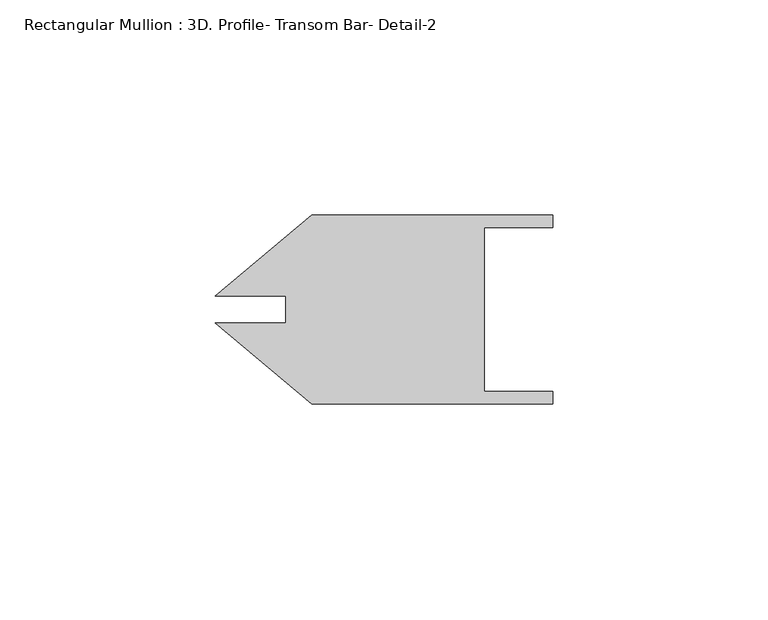
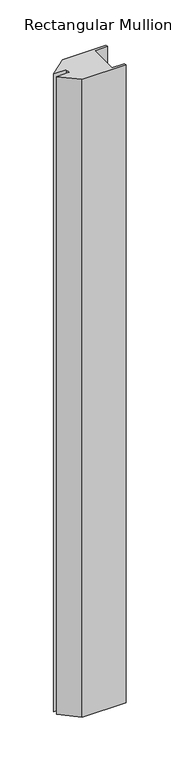
"""IFC4 building model written with IfcOpenShell, lengths in millimetres: member geometry, Rectangular Mullion : 3D. Profile- Transom Bar- Detail-2."""

from ifc_helpers import new_model, si_unit, frame, origin, place, context, project, spatial, polyline, outline, extrude, source, transform, mapped, element, save


def rectangular_mullion_3d_profile_transom_bar_detail_2_339114c8(model_context):
    return source(origin(), model_context, "Body", "SweptSolid", [
        extrude(outline(polyline([(-55.8785989, -4.3330813), (-78.2034144, 14.3996633), (-61.9248121, 14.3996633), (-61.9248121, 20.7237742), (-78.2034144, 20.7237742), (-55.8785989, 39.4565187), (0.0, 39.4565187), (0.0, 36.6117188), (-15.875, 36.6117188), (-15.875, -1.4882812), (0.0, -1.4882812), (0.0, -4.3330813), (-55.8785989, -4.3330813)])), frame((0.0, 0.0, -861.2572038), z_axis=(0.0, 0.0, 1.0), x_axis=(1.0, 0.0, 0.0)), (0.0, 0.0, 1.0), 861.2572038),
    ])


if __name__ == "__main__":
    model = new_model("IFC4")
    model_context = context("Model", 3, world=origin())
    ifc_project = project(units=[si_unit("LENGTHUNIT", "METRE", prefix="MILLI")], contexts=[model_context])
    site = spatial("IfcSite", under=ifc_project)
    building = spatial("IfcBuilding", under=site)
    placement = place(None, origin())
    rectangular_mullion_3d_profile_transom_bar_detail_2_shape = rectangular_mullion_3d_profile_transom_bar_detail_2_339114c8(model_context)
    element("IfcMember", 1, ObjectType="Rectangular Mullion : 3D. Profile- Transom Bar- Detail-2", at=placement, inside=building, context=model_context, shape_type="MappedRepresentation", body=[
        mapped(rectangular_mullion_3d_profile_transom_bar_detail_2_shape, transform((0.0, 0.0, 0.0), x_axis=(1.0, 0.0, 0.0), y_axis=(0.0, 1.0, 0.0), z_axis=(0.0, 0.0, 1.0))),
    ])
    save(model, "model.ifc")
